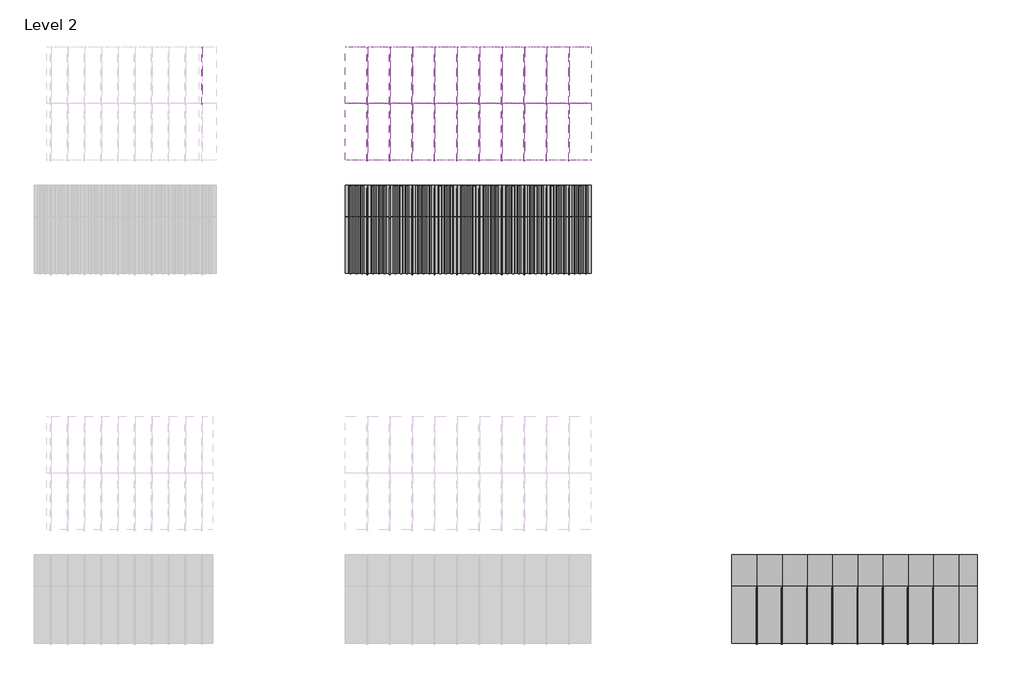
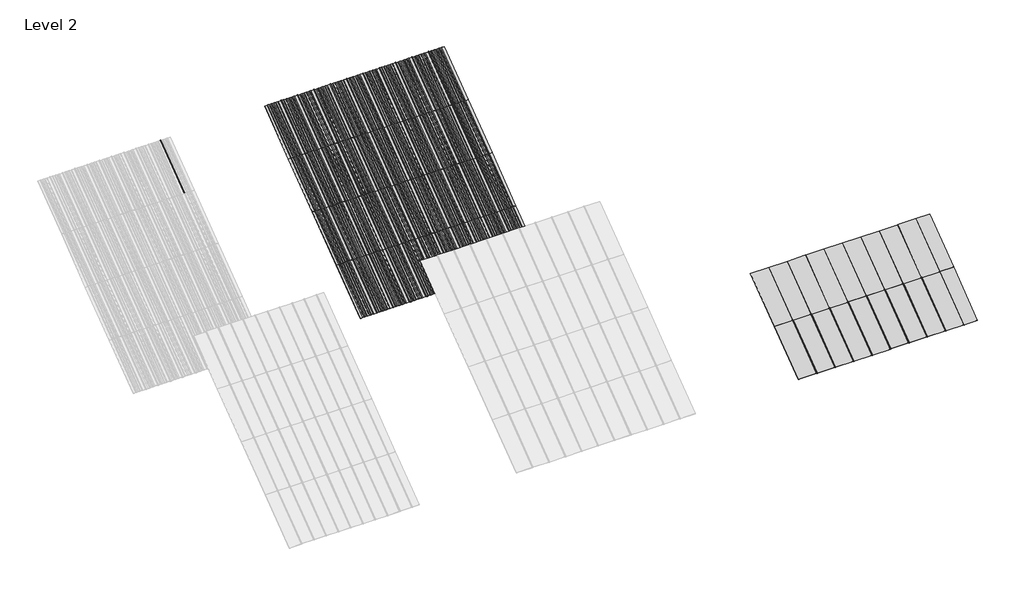
# One storey, part 40 of 177: 64 plates, 49 members.
"""IFC4 building model written with IfcOpenShell, lengths in millimetres."""

import ifcopenshell
import ifcopenshell.guid

model = None  # the IFC model being written
_history = None  # IfcOwnerHistory: only IFC2X3 demands one
_inside = {}  # id of a spatial element -> (the spatial element, [elements in it])
_under = {}  # id of a project, library or spatial element -> (it, [spatial elements below it])
_declared = {}  # id of a project -> (the project, [libraries it declares])
_typed = {}  # id of a type object -> (the type object, [elements of that type])
_made_of = {}  # id of a material, layer set ... -> (it, [elements and type objects made of it])


def new_model(schema):
    """Start an empty IFC model of exactly this schema.

    Asked for "IFC4X3", IfcOpenShell would pick the latest addendum, in which some entities
    have other attributes; the version numbers below select the first issue.
    IFC2X3 requires an IfcOwnerHistory on every rooted entity: one is made here for all.
    """
    global model, _history
    if schema == "IFC4X3":
        model = ifcopenshell.file(schema_version=(4, 3, 0, 0))
    else:
        model = ifcopenshell.file(schema=schema)
    _inside.clear()
    _under.clear()
    _declared.clear()
    _typed.clear()
    _made_of.clear()
    _history = None
    if model.schema == "IFC2X3":
        org = make("IfcOrganization", Name="unknown")
        user = make(
            "IfcPersonAndOrganization",
            ThePerson=make("IfcPerson", FamilyName="unknown"),
            TheOrganization=org,
        )
        app = make(
            "IfcApplication",
            ApplicationDeveloper=org,
            Version="unknown",
            ApplicationFullName="unknown",
            ApplicationIdentifier="unknown",
        )
        _history = make(
            "IfcOwnerHistory",
            OwningUser=user,
            OwningApplication=app,
            ChangeAction="ADDED",
            CreationDate=0,
        )
    return model


def make(cls, **values):
    """One entity of the class cls with the attributes given. An attribute that is None is left unset."""
    return model.create_entity(
        cls, **{name: value for name, value in values.items() if value is not None}
    )


def rooted(cls, **values):
    """An entity with a GlobalId (a new one), such as an element, a storey or a relation."""
    return make(cls, GlobalId=ifcopenshell.guid.new(), OwnerHistory=_history, **values)


def si_unit(unit_type, name, prefix=None):
    """IfcSIUnit, for example si_unit("LENGTHUNIT", "METRE", prefix="MILLI")."""
    return make("IfcSIUnit", UnitType=unit_type, Prefix=prefix, Name=name)


def assignment(units):
    """IfcUnitAssignment: the units of a project."""
    return None if units is None else make("IfcUnitAssignment", Units=units)


def point(xyz):
    """IfcCartesianPoint."""
    return None if xyz is None else make("IfcCartesianPoint", Coordinates=xyz)


def direction(xyz):
    """IfcDirection."""
    return None if xyz is None else make("IfcDirection", DirectionRatios=xyz)


def frame(location, z_axis=None, x_axis=None):
    """IfcAxis2Placement3D, a coordinate frame: its origin and axes. An axis left out is left unset."""
    return make(
        "IfcAxis2Placement3D",
        Location=point(location),
        Axis=direction(z_axis),
        RefDirection=direction(x_axis),
    )


def frame_2d(location, x_axis=None):
    """IfcAxis2Placement2D, a coordinate frame in the plane: its origin and x axis."""
    return make(
        "IfcAxis2Placement2D", Location=point(location), RefDirection=direction(x_axis)
    )


def origin():
    """The frame at (0, 0, 0) with its axes left unset."""
    return frame((0.0, 0.0, 0.0))


def origin_with_axes():
    """The frame at (0, 0, 0) with the z axis (0, 0, 1) and the x axis (1, 0, 0) written out."""
    return frame((0.0, 0.0, 0.0), z_axis=(0.0, 0.0, 1.0), x_axis=(1.0, 0.0, 0.0))


def place(relative_to, where):
    """IfcLocalPlacement: puts the frame where relative to a parent placement (None: the world)."""
    return make(
        "IfcLocalPlacement", PlacementRelTo=relative_to, RelativePlacement=where
    )


def context(
    kind, dimensions, precision=None, world=None, true_north=None, identifier=None
):
    """IfcGeometricRepresentationContext, for example the 3D "Model" context."""
    return make(
        "IfcGeometricRepresentationContext",
        ContextIdentifier=identifier,
        ContextType=kind,
        CoordinateSpaceDimension=dimensions,
        Precision=precision,
        WorldCoordinateSystem=world,
        TrueNorth=true_north,
    )


def project(units=None, contexts=None):
    """IfcProject with its units and contexts."""
    return rooted(
        "IfcProject",
        Name="project",
        RepresentationContexts=contexts,
        UnitsInContext=assignment(units),
    )


def spatial(cls, under=None, at=None, **own):
    """A site, building, storey or space (cls), placed at a placement, below another one or the project."""
    s = rooted(cls, ObjectPlacement=at, **own)
    if under is not None:
        _under.setdefault(under.id(), (under, []))[1].append(s)
    return s


def polyline(points):
    """IfcPolyline through the points."""
    return make("IfcPolyline", Points=[point(p) for p in points])


def circle_curve(where, radius):
    """IfcCircle in the frame where."""
    return make("IfcCircle", Position=where, Radius=radius)


def trimmed(basis, trim1, trim2, sense, master):
    """IfcTrimmedCurve: the piece of a basis curve between two trims."""
    return make(
        "IfcTrimmedCurve",
        BasisCurve=basis,
        Trim1=trim1,
        Trim2=trim2,
        SenseAgreement=sense,
        MasterRepresentation=master,
    )


def segment(curve, same_sense, transition):
    """IfcCompositeCurveSegment."""
    return make(
        "IfcCompositeCurveSegment",
        Transition=transition,
        SameSense=same_sense,
        ParentCurve=curve,
    )


def composite_curve(segments, self_intersect=None):
    """IfcCompositeCurve: segments joined end to end."""
    return make("IfcCompositeCurve", Segments=segments, SelfIntersect=self_intersect)


def outline(outer, holes=None, kind="AREA"):
    """IfcArbitraryClosedProfileDef: a profile drawn as a closed curve; with holes, ...WithVoids."""
    if holes is None:
        return make("IfcArbitraryClosedProfileDef", ProfileType=kind, OuterCurve=outer)
    return make(
        "IfcArbitraryProfileDefWithVoids",
        ProfileType=kind,
        OuterCurve=outer,
        InnerCurves=holes,
    )


def extrude(swept, where, along, depth):
    """IfcExtrudedAreaSolid: the profile swept, set in the frame where, extruded along a direction by depth."""
    return make(
        "IfcExtrudedAreaSolid",
        SweptArea=swept,
        Position=where,
        ExtrudedDirection=direction(along),
        Depth=depth,
    )


def shape(context_of_items, identifier, shape_type, items):
    """IfcShapeRepresentation: the items that make up one representation, for example the "Body"."""
    return make(
        "IfcShapeRepresentation",
        ContextOfItems=context_of_items,
        RepresentationIdentifier=identifier,
        RepresentationType=shape_type,
        Items=items,
    )


def source(mapping_origin, context_of_items, identifier, shape_type, items):
    """IfcRepresentationMap: a shape defined once, which mapped items show again and again."""
    return make(
        "IfcRepresentationMap",
        MappingOrigin=mapping_origin,
        MappedRepresentation=shape(context_of_items, identifier, shape_type, items),
    )


def transform(
    local_origin,
    x_axis=None,
    y_axis=None,
    z_axis=None,
    scale=None,
    scale2=None,
    scale3=None,
    uniform=True,
):
    """IfcCartesianTransformationOperator3D, or its non-uniform kind. x_axis, y_axis, z_axis: its Axis1, 2, 3."""
    if uniform:
        return make(
            "IfcCartesianTransformationOperator3D",
            Axis1=direction(x_axis),
            Axis2=direction(y_axis),
            LocalOrigin=point(local_origin),
            Scale=scale,
            Axis3=direction(z_axis),
        )
    return make(
        "IfcCartesianTransformationOperator3DnonUniform",
        Axis1=direction(x_axis),
        Axis2=direction(y_axis),
        LocalOrigin=point(local_origin),
        Scale=scale,
        Axis3=direction(z_axis),
        Scale2=scale2,
        Scale3=scale3,
    )


def mapped(mapping_source, mapping_target):
    """IfcMappedItem: shows the shape of a source again, moved by a transform."""
    return make(
        "IfcMappedItem", MappingSource=mapping_source, MappingTarget=mapping_target
    )


def made_of(thing, what):
    """Note that an element or type object is made of a material, layer set ...; save() writes the relation."""
    if what is not None:
        _made_of.setdefault(what.id(), (what, []))[1].append(thing)
    return thing


def element(
    cls,
    number,
    at=None,
    inside=None,
    cuts=None,
    type_object=None,
    material=None,
    context=None,
    identifier="Body",
    shape_type=None,
    held_by="IfcProductDefinitionShape",
    body=None,
    shapes=None,
    **own,
):
    """One element of the class cls, such as IfcWall. Its Tag is "e" and its number.

    at: its placement. inside: the storey or other place that contains it. cuts: it is an
    opening in that element (IfcRelVoidsElement). A single representation is given by context,
    identifier, shape_type and body (its items); several are given by shapes. held_by: the class
    of the entity that holds the representations. save() writes the other relations.
    """
    e = rooted(cls, Tag="e%d" % number, ObjectPlacement=at, **own)
    if body is not None:
        shapes = [shape(context, identifier, shape_type, body)]
    if shapes is not None:
        e.Representation = make(held_by, Representations=shapes)
    if inside is not None:
        _inside.setdefault(inside.id(), (inside, []))[1].append(e)
    if cuts is not None:
        rooted(
            "IfcRelVoidsElement", RelatingBuildingElement=cuts, RelatedOpeningElement=e
        )
    if type_object is not None:
        _typed.setdefault(type_object.id(), (type_object, []))[1].append(e)
    return made_of(e, material)


def aggregate(whole, parts):
    """IfcRelAggregates: a whole, such as a stair, and the parts it consists of."""
    return rooted("IfcRelAggregates", RelatingObject=whole, RelatedObjects=parts)


def save(model, path):
    """Write the relations noted so far, then the file.

    IfcRelAggregates (storeys below a building ...), IfcRelContainedInSpatialStructure (elements
    in a storey), IfcRelDefinesByType, IfcRelAssociatesMaterial and IfcRelDeclares: one each for
    every whole, place, type object, material and project.
    """
    for whole, parts in _under.values():
        aggregate(whole, parts)
    for where, things in _inside.values():
        rooted(
            "IfcRelContainedInSpatialStructure",
            RelatedElements=things,
            RelatingStructure=where,
        )
    for kind, things in _typed.values():
        rooted("IfcRelDefinesByType", RelatedObjects=things, RelatingType=kind)
    for what, things in _made_of.values():
        rooted("IfcRelAssociatesMaterial", RelatedObjects=things, RelatingMaterial=what)
    for by, libraries in _declared.values():
        rooted("IfcRelDeclares", RelatingContext=by, RelatedDefinitions=libraries)
    model.write(path)


def rectangular_mullion_59d29c64(model_context):
    return source(origin(), model_context, "Body", "SweptSolid", [
        extrude(outline(composite_curve([segment(polyline([(-1.651, -33.918525), (-1.651, 0.396875), (1.778, 0.396875), (1.778, -36.458525)]), True, "CONTINUOUS"), segment(trimmed(circle_curve(frame_2d((-0.762, -36.458525)), 2.54), [point((1.778, -36.458525))], [point((-0.762, -38.998525))], False, "CARTESIAN"), True, "CONTINUOUS"), segment(polyline([(-0.762, -38.998525), (-10.16, -38.998525)]), True, "CONTINUOUS"), segment(trimmed(circle_curve(frame_2d((-10.16, -36.458525)), 2.54), [point((-10.16, -38.998525))], [point((-10.16, -33.918525))], False, "CARTESIAN"), True, "CONTINUOUS"), segment(polyline([(-10.16, -33.918525), (-1.651, -33.918525)]), True, "CONTINUOUS")], self_intersect=False)), frame((0.0, 0.0, -1285.875), z_axis=(0.0, 0.0, 1.0), x_axis=(1.0, 0.0, 0.0)), (0.0, 0.0, 1.0), 1285.875),
    ])


def plate_0_032_aluminium_cbe3b930(model_context):
    return source(origin(), model_context, "Body", "SweptSolid", [
        extrude(outline(polyline([(-142.9284294, 0.8128), (-120.4316494, -2.73558), (-90.8914494, -2.73558), (-68.3946694, 0.8128), (-38.8544694, 0.8128), (-14.7701, -2.73558), (14.7701, -2.73558), (37.26688, 0.8128), (66.80708, 0.8128), (89.30386, -2.73558), (118.84406, -2.73558), (141.34084, 0.8128), (203.2, 0.8128), (203.2, 0.0), (141.404547, 0.0), (118.907767, -3.54838), (89.240153, -3.54838), (66.743373, 0.0), (37.330587, 0.0), (14.833807, -3.54838), (-14.833807, -3.54838), (-38.9181764, 0.0), (-68.3309624, 0.0), (-90.8277424, -3.54838), (-120.4953564, -3.54838), (-142.9921364, 0.0), (-203.2, 0.0), (-203.2, 0.8128), (-142.9284294, 0.8128)])), origin_with_axes(), (0.0, 0.0, 1.0), 1285.875),
    ])


def system_panel_8a7700cc(model_context):
    return source(origin(), model_context, "Body", "SweptSolid", [
        extrude(outline(polyline([(226.9490002, -0.2480469), (-226.9490002, -0.2480469), (-226.9490002, 0.2480469), (226.9490002, 0.2480469), (226.9490002, -0.2480469)])), origin_with_axes(), (0.0, 0.0, 1.0), 1285.875),
    ])


def system_panel_4355e656(model_context):
    return source(origin(), model_context, "Body", "SweptSolid", [
        extrude(outline(polyline([(226.8855, -0.2480469), (-226.8855, -0.2480469), (-226.8855, 0.2480469), (226.8855, 0.2480469), (226.8855, -0.2480469)])), origin_with_axes(), (0.0, 0.0, 1.0), 1285.875),
    ])


def system_panel_11a4934e(model_context):
    return source(origin(), model_context, "Body", "SweptSolid", [
        extrude(outline(polyline([(170.1165, -0.2480469), (-170.1165, -0.2480469), (-170.1165, 0.2480469), (170.1165, 0.2480469), (170.1165, -0.2480469)])), origin_with_axes(), (0.0, 0.0, 1.0), 1285.875),
    ])


model = new_model("IFC4")

# Units and contexts
model_context = context("Model", 3, world=origin())
ifc_project = project(units=[si_unit("LENGTHUNIT", "METRE", prefix="MILLI")], contexts=[model_context])

# Site, building, storey
site = spatial("IfcSite", under=ifc_project)
building = spatial("IfcBuilding", under=site)
storey = spatial("IfcBuildingStorey", under=building, Name="Level 2", Elevation=3048.0)

# Members
placement = place(None, origin())
rectangular_mullion_shape = rectangular_mullion_59d29c64(model_context)
element("IfcMember", 1, ObjectType="Rectangular Mullion", at=placement, inside=storey, context=model_context, shape_type="MappedRepresentation", body=[
    mapped(rectangular_mullion_shape, transform((138606.8738425, 45668.6083739, 6134.1), x_axis=(1.0, 0.0, 0.0), y_axis=(0.0, 0.5999999999999946, -0.800000000000004), z_axis=(0.0, 0.800000000000004, 0.5999999999999946))),
])
element("IfcMember", 2, ObjectType="Rectangular Mullion", at=placement, inside=storey, context=model_context, shape_type="MappedRepresentation", body=[
    mapped(rectangular_mullion_shape, transform((139013.2738425, 45668.6083739, 6134.1), x_axis=(1.0, 0.0, 0.0), y_axis=(0.0, 0.5999999999999946, -0.800000000000004), z_axis=(0.0, 0.800000000000004, 0.5999999999999946))),
])
element("IfcMember", 3, ObjectType="Rectangular Mullion", at=placement, inside=storey, context=model_context, shape_type="MappedRepresentation", body=[
    mapped(rectangular_mullion_shape, transform((139419.6738425, 45668.6083739, 6134.1), x_axis=(1.0, 0.0, 0.0), y_axis=(0.0, 0.5999999999999946, -0.800000000000004), z_axis=(0.0, 0.800000000000004, 0.5999999999999946))),
])
element("IfcMember", 4, ObjectType="Rectangular Mullion", at=placement, inside=storey, context=model_context, shape_type="MappedRepresentation", body=[
    mapped(rectangular_mullion_shape, transform((139826.0738425, 45668.6083739, 6134.1), x_axis=(1.0, 0.0, 0.0), y_axis=(0.0, 0.5999999999999946, -0.800000000000004), z_axis=(0.0, 0.800000000000004, 0.5999999999999946))),
])
element("IfcMember", 5, ObjectType="Rectangular Mullion", at=placement, inside=storey, context=model_context, shape_type="MappedRepresentation", body=[
    mapped(rectangular_mullion_shape, transform((140232.4738425, 45668.6083739, 6134.1), x_axis=(1.0, 0.0, 0.0), y_axis=(0.0, 0.5999999999999946, -0.800000000000004), z_axis=(0.0, 0.800000000000004, 0.5999999999999946))),
])
element("IfcMember", 6, ObjectType="Rectangular Mullion", at=placement, inside=storey, context=model_context, shape_type="MappedRepresentation", body=[
    mapped(rectangular_mullion_shape, transform((140638.8738425, 45668.6083739, 6134.1), x_axis=(1.0, 0.0, 0.0), y_axis=(0.0, 0.5999999999999946, -0.800000000000004), z_axis=(0.0, 0.800000000000004, 0.5999999999999946))),
])
element("IfcMember", 7, ObjectType="Rectangular Mullion", at=placement, inside=storey, context=model_context, shape_type="MappedRepresentation", body=[
    mapped(rectangular_mullion_shape, transform((141045.2738425, 45668.6083739, 6134.1), x_axis=(1.0, 0.0, 0.0), y_axis=(0.0, 0.5999999999999946, -0.800000000000004), z_axis=(0.0, 0.800000000000004, 0.5999999999999946))),
])
element("IfcMember", 8, ObjectType="Rectangular Mullion", at=placement, inside=storey, context=model_context, shape_type="MappedRepresentation", body=[
    mapped(rectangular_mullion_shape, transform((141451.6738425, 45668.6083739, 6134.1), x_axis=(1.0, 0.0, 0.0), y_axis=(0.0, 0.5999999999999946, -0.800000000000004), z_axis=(0.0, 0.800000000000004, 0.5999999999999946))),
])
element("IfcMember", 9, ObjectType="Rectangular Mullion", at=placement, inside=storey, context=model_context, shape_type="MappedRepresentation", body=[
    mapped(rectangular_mullion_shape, transform((141858.0738425, 45668.6083739, 6134.1), x_axis=(1.0, 0.0, 0.0), y_axis=(0.0, 0.5999999999999946, -0.800000000000004), z_axis=(0.0, 0.800000000000004, 0.5999999999999946))),
])
element("IfcMember", 10, ObjectType="Rectangular Mullion", at=placement, inside=storey, context=model_context, shape_type="MappedRepresentation", body=[
    mapped(rectangular_mullion_shape, transform((135609.6738425, 45668.6083739, 6134.1), x_axis=(1.0, 0.0, 0.0), y_axis=(0.0, 0.5999999999999946, -0.800000000000004), z_axis=(0.0, 0.800000000000004, 0.5999999999999946))),
])
element("IfcMember", 11, ObjectType="Rectangular Mullion", at=placement, inside=storey, context=model_context, shape_type="MappedRepresentation", body=[
    mapped(rectangular_mullion_shape, transform((142264.4738425, 45668.6083739, 6134.1), x_axis=(1.0, 0.0, 0.0), y_axis=(0.0, 0.5999999999999946, -0.800000000000004), z_axis=(0.0, 0.800000000000004, 0.5999999999999946))),
])
element("IfcMember", 12, ObjectType="Rectangular Mullion", at=placement, inside=storey, context=model_context, shape_type="MappedRepresentation", body=[
    mapped(rectangular_mullion_shape, transform((145668.0738425, 35876.9083739, 3819.525), x_axis=(1.0, 0.0, 0.0), y_axis=(0.0, 0.6000000000000008, -0.7999999999999994), z_axis=(0.0, 0.7999999999999994, 0.6000000000000008))),
])
element("IfcMember", 13, ObjectType="Rectangular Mullion", at=placement, inside=storey, context=model_context, shape_type="MappedRepresentation", body=[
    mapped(rectangular_mullion_shape, transform((146125.2738425, 35876.9083739, 3819.525), x_axis=(1.0, 0.0, 0.0), y_axis=(0.0, 0.6000000000000008, -0.7999999999999994), z_axis=(0.0, 0.7999999999999994, 0.6000000000000008))),
])
element("IfcMember", 14, ObjectType="Rectangular Mullion", at=placement, inside=storey, context=model_context, shape_type="MappedRepresentation", body=[
    mapped(rectangular_mullion_shape, transform((146582.4738425, 35876.9083739, 3819.525), x_axis=(1.0, 0.0, 0.0), y_axis=(0.0, 0.6000000000000008, -0.7999999999999994), z_axis=(0.0, 0.7999999999999994, 0.6000000000000008))),
])
element("IfcMember", 15, ObjectType="Rectangular Mullion", at=placement, inside=storey, context=model_context, shape_type="MappedRepresentation", body=[
    mapped(rectangular_mullion_shape, transform((147039.6738425, 35876.9083739, 3819.525), x_axis=(1.0, 0.0, 0.0), y_axis=(0.0, 0.6000000000000008, -0.7999999999999994), z_axis=(0.0, 0.7999999999999994, 0.6000000000000008))),
])
element("IfcMember", 16, ObjectType="Rectangular Mullion", at=placement, inside=storey, context=model_context, shape_type="MappedRepresentation", body=[
    mapped(rectangular_mullion_shape, transform((147496.8738425, 35876.9083739, 3819.525), x_axis=(1.0, 0.0, 0.0), y_axis=(0.0, 0.6000000000000008, -0.7999999999999994), z_axis=(0.0, 0.7999999999999994, 0.6000000000000008))),
])
element("IfcMember", 17, ObjectType="Rectangular Mullion", at=placement, inside=storey, context=model_context, shape_type="MappedRepresentation", body=[
    mapped(rectangular_mullion_shape, transform((147954.0738425, 35876.9083739, 3819.525), x_axis=(1.0, 0.0, 0.0), y_axis=(0.0, 0.6000000000000008, -0.7999999999999994), z_axis=(0.0, 0.7999999999999994, 0.6000000000000008))),
])
element("IfcMember", 18, ObjectType="Rectangular Mullion", at=placement, inside=storey, context=model_context, shape_type="MappedRepresentation", body=[
    mapped(rectangular_mullion_shape, transform((148411.2738425, 35876.9083739, 3819.525), x_axis=(1.0, 0.0, 0.0), y_axis=(0.0, 0.6000000000000008, -0.7999999999999994), z_axis=(0.0, 0.7999999999999994, 0.6000000000000008))),
])
element("IfcMember", 19, ObjectType="Rectangular Mullion", at=placement, inside=storey, context=model_context, shape_type="MappedRepresentation", body=[
    mapped(rectangular_mullion_shape, transform((148868.4738425, 35876.9083739, 3819.525), x_axis=(1.0, 0.0, 0.0), y_axis=(0.0, 0.6000000000000008, -0.7999999999999994), z_axis=(0.0, 0.7999999999999994, 0.6000000000000008))),
])
element("IfcMember", 20, ObjectType="Rectangular Mullion", at=placement, inside=storey, context=model_context, shape_type="MappedRepresentation", body=[
    mapped(rectangular_mullion_shape, transform((138606.8738425, 42582.5083739, 3819.525), x_axis=(1.0, 0.0, 0.0), y_axis=(0.0, 0.5999999999999939, -0.8000000000000047), z_axis=(0.0, 0.8000000000000047, 0.5999999999999939))),
])
element("IfcMember", 21, ObjectType="Rectangular Mullion", at=placement, inside=storey, context=model_context, shape_type="MappedRepresentation", body=[
    mapped(rectangular_mullion_shape, transform((139013.2738425, 42582.5083739, 3819.525), x_axis=(1.0, 0.0, 0.0), y_axis=(0.0, 0.5999999999999939, -0.8000000000000047), z_axis=(0.0, 0.8000000000000047, 0.5999999999999939))),
])
element("IfcMember", 22, ObjectType="Rectangular Mullion", at=placement, inside=storey, context=model_context, shape_type="MappedRepresentation", body=[
    mapped(rectangular_mullion_shape, transform((139419.6738425, 42582.5083739, 3819.525), x_axis=(1.0, 0.0, 0.0), y_axis=(0.0, 0.5999999999999939, -0.8000000000000047), z_axis=(0.0, 0.8000000000000047, 0.5999999999999939))),
])
element("IfcMember", 23, ObjectType="Rectangular Mullion", at=placement, inside=storey, context=model_context, shape_type="MappedRepresentation", body=[
    mapped(rectangular_mullion_shape, transform((139826.0738425, 42582.5083739, 3819.525), x_axis=(1.0, 0.0, 0.0), y_axis=(0.0, 0.5999999999999939, -0.8000000000000047), z_axis=(0.0, 0.8000000000000047, 0.5999999999999939))),
])
element("IfcMember", 24, ObjectType="Rectangular Mullion", at=placement, inside=storey, context=model_context, shape_type="MappedRepresentation", body=[
    mapped(rectangular_mullion_shape, transform((140232.4738425, 42582.5083739, 3819.525), x_axis=(1.0, 0.0, 0.0), y_axis=(0.0, 0.5999999999999939, -0.8000000000000047), z_axis=(0.0, 0.8000000000000047, 0.5999999999999939))),
])
element("IfcMember", 25, ObjectType="Rectangular Mullion", at=placement, inside=storey, context=model_context, shape_type="MappedRepresentation", body=[
    mapped(rectangular_mullion_shape, transform((140638.8738425, 42582.5083739, 3819.525), x_axis=(1.0, 0.0, 0.0), y_axis=(0.0, 0.5999999999999939, -0.8000000000000047), z_axis=(0.0, 0.8000000000000047, 0.5999999999999939))),
])
element("IfcMember", 26, ObjectType="Rectangular Mullion", at=placement, inside=storey, context=model_context, shape_type="MappedRepresentation", body=[
    mapped(rectangular_mullion_shape, transform((141045.2738425, 42582.5083739, 3819.525), x_axis=(1.0, 0.0, 0.0), y_axis=(0.0, 0.5999999999999939, -0.8000000000000047), z_axis=(0.0, 0.8000000000000047, 0.5999999999999939))),
])
element("IfcMember", 27, ObjectType="Rectangular Mullion", at=placement, inside=storey, context=model_context, shape_type="MappedRepresentation", body=[
    mapped(rectangular_mullion_shape, transform((141451.6738425, 42582.5083739, 3819.525), x_axis=(1.0, 0.0, 0.0), y_axis=(0.0, 0.5999999999999939, -0.8000000000000047), z_axis=(0.0, 0.8000000000000047, 0.5999999999999939))),
])
element("IfcMember", 28, ObjectType="Rectangular Mullion", at=placement, inside=storey, context=model_context, shape_type="MappedRepresentation", body=[
    mapped(rectangular_mullion_shape, transform((141858.0738425, 42582.5083739, 3819.525), x_axis=(1.0, 0.0, 0.0), y_axis=(0.0, 0.5999999999999939, -0.8000000000000047), z_axis=(0.0, 0.8000000000000047, 0.5999999999999939))),
])
element("IfcMember", 29, ObjectType="Rectangular Mullion", at=placement, inside=storey, context=model_context, shape_type="MappedRepresentation", body=[
    mapped(rectangular_mullion_shape, transform((142264.4738425, 42582.5083739, 3819.525), x_axis=(1.0, 0.0, 0.0), y_axis=(0.0, 0.5999999999999939, -0.8000000000000047), z_axis=(0.0, 0.8000000000000047, 0.5999999999999939))),
])
element("IfcMember", 30, ObjectType="Rectangular Mullion", at=placement, inside=storey, context=model_context, shape_type="MappedRepresentation", body=[
    mapped(rectangular_mullion_shape, transform((138606.8738425, 43611.2083739, 4591.05), x_axis=(1.0, 0.0, 0.0), y_axis=(0.0, 0.5999999999999949, -0.8000000000000038), z_axis=(0.0, 0.8000000000000038, 0.5999999999999949))),
])
element("IfcMember", 31, ObjectType="Rectangular Mullion", at=placement, inside=storey, context=model_context, shape_type="MappedRepresentation", body=[
    mapped(rectangular_mullion_shape, transform((139013.2738425, 43611.2083739, 4591.05), x_axis=(1.0, 0.0, 0.0), y_axis=(0.0, 0.5999999999999949, -0.8000000000000038), z_axis=(0.0, 0.8000000000000038, 0.5999999999999949))),
])
element("IfcMember", 32, ObjectType="Rectangular Mullion", at=placement, inside=storey, context=model_context, shape_type="MappedRepresentation", body=[
    mapped(rectangular_mullion_shape, transform((138606.8738425, 44639.9083739, 5362.575), x_axis=(1.0, 0.0, 0.0), y_axis=(0.0, 0.5999999999999939, -0.8000000000000047), z_axis=(0.0, 0.8000000000000047, 0.5999999999999939))),
])
element("IfcMember", 33, ObjectType="Rectangular Mullion", at=placement, inside=storey, context=model_context, shape_type="MappedRepresentation", body=[
    mapped(rectangular_mullion_shape, transform((139013.2738425, 44639.9083739, 5362.575), x_axis=(1.0, 0.0, 0.0), y_axis=(0.0, 0.5999999999999939, -0.8000000000000047), z_axis=(0.0, 0.8000000000000047, 0.5999999999999939))),
])
element("IfcMember", 34, ObjectType="Rectangular Mullion", at=placement, inside=storey, context=model_context, shape_type="MappedRepresentation", body=[
    mapped(rectangular_mullion_shape, transform((139419.6738425, 43611.2083739, 4591.05), x_axis=(1.0, 0.0, 0.0), y_axis=(0.0, 0.5999999999999949, -0.8000000000000038), z_axis=(0.0, 0.8000000000000038, 0.5999999999999949))),
])
element("IfcMember", 35, ObjectType="Rectangular Mullion", at=placement, inside=storey, context=model_context, shape_type="MappedRepresentation", body=[
    mapped(rectangular_mullion_shape, transform((139826.0738425, 43611.2083739, 4591.05), x_axis=(1.0, 0.0, 0.0), y_axis=(0.0, 0.5999999999999949, -0.8000000000000038), z_axis=(0.0, 0.8000000000000038, 0.5999999999999949))),
])
element("IfcMember", 36, ObjectType="Rectangular Mullion", at=placement, inside=storey, context=model_context, shape_type="MappedRepresentation", body=[
    mapped(rectangular_mullion_shape, transform((140232.4738425, 43611.2083739, 4591.05), x_axis=(1.0, 0.0, 0.0), y_axis=(0.0, 0.5999999999999949, -0.8000000000000038), z_axis=(0.0, 0.8000000000000038, 0.5999999999999949))),
])
element("IfcMember", 37, ObjectType="Rectangular Mullion", at=placement, inside=storey, context=model_context, shape_type="MappedRepresentation", body=[
    mapped(rectangular_mullion_shape, transform((140638.8738425, 43611.2083739, 4591.05), x_axis=(1.0, 0.0, 0.0), y_axis=(0.0, 0.5999999999999949, -0.8000000000000038), z_axis=(0.0, 0.8000000000000038, 0.5999999999999949))),
])
element("IfcMember", 38, ObjectType="Rectangular Mullion", at=placement, inside=storey, context=model_context, shape_type="MappedRepresentation", body=[
    mapped(rectangular_mullion_shape, transform((141045.2738425, 43611.2083739, 4591.05), x_axis=(1.0, 0.0, 0.0), y_axis=(0.0, 0.5999999999999949, -0.8000000000000038), z_axis=(0.0, 0.8000000000000038, 0.5999999999999949))),
])
element("IfcMember", 39, ObjectType="Rectangular Mullion", at=placement, inside=storey, context=model_context, shape_type="MappedRepresentation", body=[
    mapped(rectangular_mullion_shape, transform((141451.6738425, 43611.2083739, 4591.05), x_axis=(1.0, 0.0, 0.0), y_axis=(0.0, 0.5999999999999949, -0.8000000000000038), z_axis=(0.0, 0.8000000000000038, 0.5999999999999949))),
])
element("IfcMember", 40, ObjectType="Rectangular Mullion", at=placement, inside=storey, context=model_context, shape_type="MappedRepresentation", body=[
    mapped(rectangular_mullion_shape, transform((141858.0738425, 43611.2083739, 4591.05), x_axis=(1.0, 0.0, 0.0), y_axis=(0.0, 0.5999999999999949, -0.8000000000000038), z_axis=(0.0, 0.8000000000000038, 0.5999999999999949))),
])
element("IfcMember", 41, ObjectType="Rectangular Mullion", at=placement, inside=storey, context=model_context, shape_type="MappedRepresentation", body=[
    mapped(rectangular_mullion_shape, transform((139419.6738425, 44639.9083739, 5362.575), x_axis=(1.0, 0.0, 0.0), y_axis=(0.0, 0.5999999999999939, -0.8000000000000047), z_axis=(0.0, 0.8000000000000047, 0.5999999999999939))),
])
element("IfcMember", 42, ObjectType="Rectangular Mullion", at=placement, inside=storey, context=model_context, shape_type="MappedRepresentation", body=[
    mapped(rectangular_mullion_shape, transform((139826.0738425, 44639.9083739, 5362.575), x_axis=(1.0, 0.0, 0.0), y_axis=(0.0, 0.5999999999999939, -0.8000000000000047), z_axis=(0.0, 0.8000000000000047, 0.5999999999999939))),
])
element("IfcMember", 43, ObjectType="Rectangular Mullion", at=placement, inside=storey, context=model_context, shape_type="MappedRepresentation", body=[
    mapped(rectangular_mullion_shape, transform((140232.4738425, 44639.9083739, 5362.575), x_axis=(1.0, 0.0, 0.0), y_axis=(0.0, 0.5999999999999939, -0.8000000000000047), z_axis=(0.0, 0.8000000000000047, 0.5999999999999939))),
])
element("IfcMember", 44, ObjectType="Rectangular Mullion", at=placement, inside=storey, context=model_context, shape_type="MappedRepresentation", body=[
    mapped(rectangular_mullion_shape, transform((140638.8738425, 44639.9083739, 5362.575), x_axis=(1.0, 0.0, 0.0), y_axis=(0.0, 0.5999999999999939, -0.8000000000000047), z_axis=(0.0, 0.8000000000000047, 0.5999999999999939))),
])
element("IfcMember", 45, ObjectType="Rectangular Mullion", at=placement, inside=storey, context=model_context, shape_type="MappedRepresentation", body=[
    mapped(rectangular_mullion_shape, transform((141045.2738425, 44639.9083739, 5362.575), x_axis=(1.0, 0.0, 0.0), y_axis=(0.0, 0.5999999999999939, -0.8000000000000047), z_axis=(0.0, 0.8000000000000047, 0.5999999999999939))),
])
element("IfcMember", 46, ObjectType="Rectangular Mullion", at=placement, inside=storey, context=model_context, shape_type="MappedRepresentation", body=[
    mapped(rectangular_mullion_shape, transform((141451.6738425, 44639.9083739, 5362.575), x_axis=(1.0, 0.0, 0.0), y_axis=(0.0, 0.5999999999999939, -0.8000000000000047), z_axis=(0.0, 0.8000000000000047, 0.5999999999999939))),
])
element("IfcMember", 47, ObjectType="Rectangular Mullion", at=placement, inside=storey, context=model_context, shape_type="MappedRepresentation", body=[
    mapped(rectangular_mullion_shape, transform((141858.0738425, 44639.9083739, 5362.575), x_axis=(1.0, 0.0, 0.0), y_axis=(0.0, 0.5999999999999939, -0.8000000000000047), z_axis=(0.0, 0.8000000000000047, 0.5999999999999939))),
])
element("IfcMember", 48, ObjectType="Rectangular Mullion", at=placement, inside=storey, context=model_context, shape_type="MappedRepresentation", body=[
    mapped(rectangular_mullion_shape, transform((142264.4738425, 43611.2083739, 4591.05), x_axis=(1.0, 0.0, 0.0), y_axis=(0.0, 0.5999999999999949, -0.8000000000000038), z_axis=(0.0, 0.8000000000000038, 0.5999999999999949))),
])
element("IfcMember", 49, ObjectType="Rectangular Mullion", at=placement, inside=storey, context=model_context, shape_type="MappedRepresentation", body=[
    mapped(rectangular_mullion_shape, transform((142264.4738425, 44639.9083739, 5362.575), x_axis=(1.0, 0.0, 0.0), y_axis=(0.0, 0.5999999999999939, -0.8000000000000047), z_axis=(0.0, 0.8000000000000047, 0.5999999999999939))),
])

# Plates
plate_0_032_aluminium_shape = plate_0_032_aluminium_cbe3b930(model_context)
element("IfcPlate", 50, ObjectType="24 Ga. Steel", at=placement, inside=storey, context=model_context, shape_type="MappedRepresentation", body=[
    mapped(plate_0_032_aluminium_shape, transform((138403.6738423, 41553.8083739, 3048.0), x_axis=(1.0, 0.0, 0.0), y_axis=(0.0, 0.5999999999999943, -0.8000000000000043), z_axis=(0.0, 0.8000000000000043, 0.5999999999999943))),
])
element("IfcPlate", 51, ObjectType="24 Ga. Steel", at=placement, inside=storey, context=model_context, shape_type="MappedRepresentation", body=[
    mapped(plate_0_032_aluminium_shape, transform((138403.6738423, 42582.5083739, 3819.525), x_axis=(1.0, 0.0, 0.0), y_axis=(0.0, 0.5999999999999943, -0.8000000000000043), z_axis=(0.0, 0.8000000000000043, 0.5999999999999943))),
])
element("IfcPlate", 52, ObjectType="24 Ga. Steel", at=placement, inside=storey, context=model_context, shape_type="MappedRepresentation", body=[
    mapped(plate_0_032_aluminium_shape, transform((138403.6738423, 43611.2083739, 4591.05), x_axis=(1.0, 0.0, 0.0), y_axis=(0.0, 0.5999999999999943, -0.8000000000000043), z_axis=(0.0, 0.8000000000000043, 0.5999999999999943))),
])
element("IfcPlate", 53, ObjectType="24 Ga. Steel", at=placement, inside=storey, context=model_context, shape_type="MappedRepresentation", body=[
    mapped(plate_0_032_aluminium_shape, transform((138403.6738423, 44639.9083739, 5362.575), x_axis=(1.0, 0.0, 0.0), y_axis=(0.0, 0.5999999999999943, -0.8000000000000043), z_axis=(0.0, 0.8000000000000043, 0.5999999999999943))),
])
element("IfcPlate", 54, ObjectType="24 Ga. Steel", at=placement, inside=storey, context=model_context, shape_type="MappedRepresentation", body=[
    mapped(plate_0_032_aluminium_shape, transform((138810.1373425, 41553.8083739, 3048.0), x_axis=(1.0, 0.0, 0.0), y_axis=(0.0, 0.5999999999999943, -0.8000000000000043), z_axis=(0.0, 0.8000000000000043, 0.5999999999999943))),
])
element("IfcPlate", 55, ObjectType="24 Ga. Steel", at=placement, inside=storey, context=model_context, shape_type="MappedRepresentation", body=[
    mapped(plate_0_032_aluminium_shape, transform((139216.5373425, 41553.8083739, 3048.0), x_axis=(1.0, 0.0, 0.0), y_axis=(0.0, 0.5999999999999943, -0.8000000000000043), z_axis=(0.0, 0.8000000000000043, 0.5999999999999943))),
])
element("IfcPlate", 56, ObjectType="24 Ga. Steel", at=placement, inside=storey, context=model_context, shape_type="MappedRepresentation", body=[
    mapped(plate_0_032_aluminium_shape, transform((138810.1373425, 42582.5083739, 3819.525), x_axis=(1.0, 0.0, 0.0), y_axis=(0.0, 0.5999999999999943, -0.8000000000000043), z_axis=(0.0, 0.8000000000000043, 0.5999999999999943))),
])
element("IfcPlate", 57, ObjectType="24 Ga. Steel", at=placement, inside=storey, context=model_context, shape_type="MappedRepresentation", body=[
    mapped(plate_0_032_aluminium_shape, transform((139216.5373425, 42582.5083739, 3819.525), x_axis=(1.0, 0.0, 0.0), y_axis=(0.0, 0.5999999999999943, -0.8000000000000043), z_axis=(0.0, 0.8000000000000043, 0.5999999999999943))),
])
element("IfcPlate", 58, ObjectType="24 Ga. Steel", at=placement, inside=storey, context=model_context, shape_type="MappedRepresentation", body=[
    mapped(plate_0_032_aluminium_shape, transform((138810.1373425, 43611.2083739, 4591.05), x_axis=(1.0, 0.0, 0.0), y_axis=(0.0, 0.5999999999999943, -0.8000000000000043), z_axis=(0.0, 0.8000000000000043, 0.5999999999999943))),
])
element("IfcPlate", 59, ObjectType="24 Ga. Steel", at=placement, inside=storey, context=model_context, shape_type="MappedRepresentation", body=[
    mapped(plate_0_032_aluminium_shape, transform((139216.5373425, 43611.2083739, 4591.05), x_axis=(1.0, 0.0, 0.0), y_axis=(0.0, 0.5999999999999943, -0.8000000000000043), z_axis=(0.0, 0.8000000000000043, 0.5999999999999943))),
])
element("IfcPlate", 60, ObjectType="24 Ga. Steel", at=placement, inside=storey, context=model_context, shape_type="MappedRepresentation", body=[
    mapped(plate_0_032_aluminium_shape, transform((138810.1373425, 44639.9083739, 5362.575), x_axis=(1.0, 0.0, 0.0), y_axis=(0.0, 0.5999999999999943, -0.8000000000000043), z_axis=(0.0, 0.8000000000000043, 0.5999999999999943))),
])
element("IfcPlate", 61, ObjectType="24 Ga. Steel", at=placement, inside=storey, context=model_context, shape_type="MappedRepresentation", body=[
    mapped(plate_0_032_aluminium_shape, transform((139216.5373425, 44639.9083739, 5362.575), x_axis=(1.0, 0.0, 0.0), y_axis=(0.0, 0.5999999999999943, -0.8000000000000043), z_axis=(0.0, 0.8000000000000043, 0.5999999999999943))),
])
element("IfcPlate", 62, ObjectType="24 Ga. Steel", at=placement, inside=storey, context=model_context, shape_type="MappedRepresentation", body=[
    mapped(plate_0_032_aluminium_shape, transform((139622.9373425, 41553.8083739, 3048.0), x_axis=(1.0, 0.0, 0.0), y_axis=(0.0, 0.5999999999999943, -0.8000000000000043), z_axis=(0.0, 0.8000000000000043, 0.5999999999999943))),
])
element("IfcPlate", 63, ObjectType="24 Ga. Steel", at=placement, inside=storey, context=model_context, shape_type="MappedRepresentation", body=[
    mapped(plate_0_032_aluminium_shape, transform((139622.9373425, 42582.5083739, 3819.525), x_axis=(1.0, 0.0, 0.0), y_axis=(0.0, 0.5999999999999943, -0.8000000000000043), z_axis=(0.0, 0.8000000000000043, 0.5999999999999943))),
])
element("IfcPlate", 64, ObjectType="24 Ga. Steel", at=placement, inside=storey, context=model_context, shape_type="MappedRepresentation", body=[
    mapped(plate_0_032_aluminium_shape, transform((139622.9373425, 43611.2083739, 4591.05), x_axis=(1.0, 0.0, 0.0), y_axis=(0.0, 0.5999999999999943, -0.8000000000000043), z_axis=(0.0, 0.8000000000000043, 0.5999999999999943))),
])
element("IfcPlate", 65, ObjectType="24 Ga. Steel", at=placement, inside=storey, context=model_context, shape_type="MappedRepresentation", body=[
    mapped(plate_0_032_aluminium_shape, transform((139622.9373425, 44639.9083739, 5362.575), x_axis=(1.0, 0.0, 0.0), y_axis=(0.0, 0.5999999999999943, -0.8000000000000043), z_axis=(0.0, 0.8000000000000043, 0.5999999999999943))),
])
element("IfcPlate", 66, ObjectType="24 Ga. Steel", at=placement, inside=storey, context=model_context, shape_type="MappedRepresentation", body=[
    mapped(plate_0_032_aluminium_shape, transform((140029.3373425, 41553.8083739, 3048.0), x_axis=(1.0, 0.0, 0.0), y_axis=(0.0, 0.5999999999999943, -0.8000000000000043), z_axis=(0.0, 0.8000000000000043, 0.5999999999999943))),
])
element("IfcPlate", 67, ObjectType="24 Ga. Steel", at=placement, inside=storey, context=model_context, shape_type="MappedRepresentation", body=[
    mapped(plate_0_032_aluminium_shape, transform((140029.3373425, 42582.5083739, 3819.525), x_axis=(1.0, 0.0, 0.0), y_axis=(0.0, 0.5999999999999943, -0.8000000000000043), z_axis=(0.0, 0.8000000000000043, 0.5999999999999943))),
])
element("IfcPlate", 68, ObjectType="24 Ga. Steel", at=placement, inside=storey, context=model_context, shape_type="MappedRepresentation", body=[
    mapped(plate_0_032_aluminium_shape, transform((140029.3373425, 43611.2083739, 4591.05), x_axis=(1.0, 0.0, 0.0), y_axis=(0.0, 0.5999999999999943, -0.8000000000000043), z_axis=(0.0, 0.8000000000000043, 0.5999999999999943))),
])
element("IfcPlate", 69, ObjectType="24 Ga. Steel", at=placement, inside=storey, context=model_context, shape_type="MappedRepresentation", body=[
    mapped(plate_0_032_aluminium_shape, transform((140029.3373425, 44639.9083739, 5362.575), x_axis=(1.0, 0.0, 0.0), y_axis=(0.0, 0.5999999999999943, -0.8000000000000043), z_axis=(0.0, 0.8000000000000043, 0.5999999999999943))),
])
element("IfcPlate", 70, ObjectType="24 Ga. Steel", at=placement, inside=storey, context=model_context, shape_type="MappedRepresentation", body=[
    mapped(plate_0_032_aluminium_shape, transform((140435.7373425, 41553.8083739, 3048.0), x_axis=(1.0, 0.0, 0.0), y_axis=(0.0, 0.5999999999999943, -0.8000000000000043), z_axis=(0.0, 0.8000000000000043, 0.5999999999999943))),
])
element("IfcPlate", 71, ObjectType="24 Ga. Steel", at=placement, inside=storey, context=model_context, shape_type="MappedRepresentation", body=[
    mapped(plate_0_032_aluminium_shape, transform((140435.7373425, 42582.5083739, 3819.525), x_axis=(1.0, 0.0, 0.0), y_axis=(0.0, 0.5999999999999943, -0.8000000000000043), z_axis=(0.0, 0.8000000000000043, 0.5999999999999943))),
])
element("IfcPlate", 72, ObjectType="24 Ga. Steel", at=placement, inside=storey, context=model_context, shape_type="MappedRepresentation", body=[
    mapped(plate_0_032_aluminium_shape, transform((140435.7373425, 43611.2083739, 4591.05), x_axis=(1.0, 0.0, 0.0), y_axis=(0.0, 0.5999999999999943, -0.8000000000000043), z_axis=(0.0, 0.8000000000000043, 0.5999999999999943))),
])
element("IfcPlate", 73, ObjectType="24 Ga. Steel", at=placement, inside=storey, context=model_context, shape_type="MappedRepresentation", body=[
    mapped(plate_0_032_aluminium_shape, transform((140435.7373425, 44639.9083739, 5362.575), x_axis=(1.0, 0.0, 0.0), y_axis=(0.0, 0.5999999999999943, -0.8000000000000043), z_axis=(0.0, 0.8000000000000043, 0.5999999999999943))),
])
element("IfcPlate", 74, ObjectType="24 Ga. Steel", at=placement, inside=storey, context=model_context, shape_type="MappedRepresentation", body=[
    mapped(plate_0_032_aluminium_shape, transform((140842.1373425, 41553.8083739, 3048.0), x_axis=(1.0, 0.0, 0.0), y_axis=(0.0, 0.5999999999999943, -0.8000000000000043), z_axis=(0.0, 0.8000000000000043, 0.5999999999999943))),
])
element("IfcPlate", 75, ObjectType="24 Ga. Steel", at=placement, inside=storey, context=model_context, shape_type="MappedRepresentation", body=[
    mapped(plate_0_032_aluminium_shape, transform((140842.1373425, 42582.5083739, 3819.525), x_axis=(1.0, 0.0, 0.0), y_axis=(0.0, 0.5999999999999943, -0.8000000000000043), z_axis=(0.0, 0.8000000000000043, 0.5999999999999943))),
])
element("IfcPlate", 76, ObjectType="24 Ga. Steel", at=placement, inside=storey, context=model_context, shape_type="MappedRepresentation", body=[
    mapped(plate_0_032_aluminium_shape, transform((140842.1373425, 43611.2083739, 4591.05), x_axis=(1.0, 0.0, 0.0), y_axis=(0.0, 0.5999999999999943, -0.8000000000000043), z_axis=(0.0, 0.8000000000000043, 0.5999999999999943))),
])
element("IfcPlate", 77, ObjectType="24 Ga. Steel", at=placement, inside=storey, context=model_context, shape_type="MappedRepresentation", body=[
    mapped(plate_0_032_aluminium_shape, transform((140842.1373425, 44639.9083739, 5362.575), x_axis=(1.0, 0.0, 0.0), y_axis=(0.0, 0.5999999999999943, -0.8000000000000043), z_axis=(0.0, 0.8000000000000043, 0.5999999999999943))),
])
element("IfcPlate", 78, ObjectType="24 Ga. Steel", at=placement, inside=storey, context=model_context, shape_type="MappedRepresentation", body=[
    mapped(plate_0_032_aluminium_shape, transform((141248.5373425, 41553.8083739, 3048.0), x_axis=(1.0, 0.0, 0.0), y_axis=(0.0, 0.5999999999999943, -0.8000000000000043), z_axis=(0.0, 0.8000000000000043, 0.5999999999999943))),
])
element("IfcPlate", 79, ObjectType="24 Ga. Steel", at=placement, inside=storey, context=model_context, shape_type="MappedRepresentation", body=[
    mapped(plate_0_032_aluminium_shape, transform((141248.5373425, 42582.5083739, 3819.525), x_axis=(1.0, 0.0, 0.0), y_axis=(0.0, 0.5999999999999943, -0.8000000000000043), z_axis=(0.0, 0.8000000000000043, 0.5999999999999943))),
])
element("IfcPlate", 80, ObjectType="24 Ga. Steel", at=placement, inside=storey, context=model_context, shape_type="MappedRepresentation", body=[
    mapped(plate_0_032_aluminium_shape, transform((141248.5373425, 43611.2083739, 4591.05), x_axis=(1.0, 0.0, 0.0), y_axis=(0.0, 0.5999999999999943, -0.8000000000000043), z_axis=(0.0, 0.8000000000000043, 0.5999999999999943))),
])
element("IfcPlate", 81, ObjectType="24 Ga. Steel", at=placement, inside=storey, context=model_context, shape_type="MappedRepresentation", body=[
    mapped(plate_0_032_aluminium_shape, transform((141248.5373425, 44639.9083739, 5362.575), x_axis=(1.0, 0.0, 0.0), y_axis=(0.0, 0.5999999999999943, -0.8000000000000043), z_axis=(0.0, 0.8000000000000043, 0.5999999999999943))),
])
element("IfcPlate", 82, ObjectType="24 Ga. Steel", at=placement, inside=storey, context=model_context, shape_type="MappedRepresentation", body=[
    mapped(plate_0_032_aluminium_shape, transform((141654.9373425, 41553.8083739, 3048.0), x_axis=(1.0, 0.0, 0.0), y_axis=(0.0, 0.5999999999999943, -0.8000000000000043), z_axis=(0.0, 0.8000000000000043, 0.5999999999999943))),
])
element("IfcPlate", 83, ObjectType="24 Ga. Steel", at=placement, inside=storey, context=model_context, shape_type="MappedRepresentation", body=[
    mapped(plate_0_032_aluminium_shape, transform((141654.9373425, 42582.5083739, 3819.525), x_axis=(1.0, 0.0, 0.0), y_axis=(0.0, 0.5999999999999943, -0.8000000000000043), z_axis=(0.0, 0.8000000000000043, 0.5999999999999943))),
])
element("IfcPlate", 84, ObjectType="24 Ga. Steel", at=placement, inside=storey, context=model_context, shape_type="MappedRepresentation", body=[
    mapped(plate_0_032_aluminium_shape, transform((141654.9373425, 43611.2083739, 4591.05), x_axis=(1.0, 0.0, 0.0), y_axis=(0.0, 0.5999999999999943, -0.8000000000000043), z_axis=(0.0, 0.8000000000000043, 0.5999999999999943))),
])
element("IfcPlate", 85, ObjectType="24 Ga. Steel", at=placement, inside=storey, context=model_context, shape_type="MappedRepresentation", body=[
    mapped(plate_0_032_aluminium_shape, transform((141654.9373425, 44639.9083739, 5362.575), x_axis=(1.0, 0.0, 0.0), y_axis=(0.0, 0.5999999999999943, -0.8000000000000043), z_axis=(0.0, 0.8000000000000043, 0.5999999999999943))),
])
element("IfcPlate", 86, ObjectType="24 Ga. Steel", at=placement, inside=storey, context=model_context, shape_type="MappedRepresentation", body=[
    mapped(plate_0_032_aluminium_shape, transform((142061.3373425, 41553.8083739, 3048.0), x_axis=(1.0, 0.0, 0.0), y_axis=(0.0, 0.5999999999999943, -0.8000000000000043), z_axis=(0.0, 0.8000000000000043, 0.5999999999999943))),
])
element("IfcPlate", 87, ObjectType="24 Ga. Steel", at=placement, inside=storey, context=model_context, shape_type="MappedRepresentation", body=[
    mapped(plate_0_032_aluminium_shape, transform((142061.3373425, 42582.5083739, 3819.525), x_axis=(1.0, 0.0, 0.0), y_axis=(0.0, 0.5999999999999943, -0.8000000000000043), z_axis=(0.0, 0.8000000000000043, 0.5999999999999943))),
])
element("IfcPlate", 88, ObjectType="24 Ga. Steel", at=placement, inside=storey, context=model_context, shape_type="MappedRepresentation", body=[
    mapped(plate_0_032_aluminium_shape, transform((142061.3373425, 43611.2083739, 4591.05), x_axis=(1.0, 0.0, 0.0), y_axis=(0.0, 0.5999999999999943, -0.8000000000000043), z_axis=(0.0, 0.8000000000000043, 0.5999999999999943))),
])
element("IfcPlate", 89, ObjectType="24 Ga. Steel", at=placement, inside=storey, context=model_context, shape_type="MappedRepresentation", body=[
    mapped(plate_0_032_aluminium_shape, transform((142061.3373425, 44639.9083739, 5362.575), x_axis=(1.0, 0.0, 0.0), y_axis=(0.0, 0.5999999999999943, -0.8000000000000043), z_axis=(0.0, 0.8000000000000043, 0.5999999999999943))),
])
element("IfcPlate", 90, ObjectType="24 Ga. Steel", at=placement, inside=storey, context=model_context, shape_type="MappedRepresentation", body=[
    mapped(plate_0_032_aluminium_shape, transform((142461.7683425, 41553.8083739, 3048.0), x_axis=(1.0, 0.0, 0.0), y_axis=(0.0, 0.5999999999999943, -0.8000000000000043), z_axis=(0.0, 0.8000000000000043, 0.5999999999999943))),
])
element("IfcPlate", 91, ObjectType="24 Ga. Steel", at=placement, inside=storey, context=model_context, shape_type="MappedRepresentation", body=[
    mapped(plate_0_032_aluminium_shape, transform((142461.7683425, 42582.5083739, 3819.525), x_axis=(1.0, 0.0, 0.0), y_axis=(0.0, 0.5999999999999943, -0.8000000000000043), z_axis=(0.0, 0.8000000000000043, 0.5999999999999943))),
])
element("IfcPlate", 92, ObjectType="24 Ga. Steel", at=placement, inside=storey, context=model_context, shape_type="MappedRepresentation", body=[
    mapped(plate_0_032_aluminium_shape, transform((142461.7683425, 43611.2083739, 4591.05), x_axis=(1.0, 0.0, 0.0), y_axis=(0.0, 0.5999999999999943, -0.8000000000000043), z_axis=(0.0, 0.8000000000000043, 0.5999999999999943))),
])
element("IfcPlate", 93, ObjectType="24 Ga. Steel", at=placement, inside=storey, context=model_context, shape_type="MappedRepresentation", body=[
    mapped(plate_0_032_aluminium_shape, transform((142461.7683425, 44639.9083739, 5362.575), x_axis=(1.0, 0.0, 0.0), y_axis=(0.0, 0.5999999999999943, -0.8000000000000043), z_axis=(0.0, 0.8000000000000043, 0.5999999999999943))),
])
system_panel_shape = system_panel_8a7700cc(model_context)
element("IfcPlate", 94, ObjectType="System Panel", at=placement, inside=storey, context=model_context, shape_type="MappedRepresentation", body=[
    mapped(system_panel_shape, transform((145439.4738423, 34848.2083739, 3048.0), x_axis=(1.0, 0.0, 0.0), y_axis=(0.0, 0.6000000000000011, -0.7999999999999992), z_axis=(0.0, 0.7999999999999992, 0.6000000000000011))),
])
element("IfcPlate", 95, ObjectType="System Panel", at=placement, inside=storey, context=model_context, shape_type="MappedRepresentation", body=[
    mapped(system_panel_shape, transform((145439.4738423, 35876.9083739, 3819.525), x_axis=(1.0, 0.0, 0.0), y_axis=(0.0, 0.6000000000000011, -0.7999999999999992), z_axis=(0.0, 0.7999999999999992, 0.6000000000000011))),
])
system_panel_2_shape = system_panel_4355e656(model_context)
element("IfcPlate", 96, ObjectType="System Panel", at=placement, inside=storey, context=model_context, shape_type="MappedRepresentation", body=[
    mapped(system_panel_2_shape, transform((145896.7373425, 34848.2083739, 3048.0), x_axis=(1.0, 0.0, 0.0), y_axis=(0.0, 0.6000000000000011, -0.7999999999999992), z_axis=(0.0, 0.7999999999999992, 0.6000000000000011))),
])
element("IfcPlate", 97, ObjectType="System Panel", at=placement, inside=storey, context=model_context, shape_type="MappedRepresentation", body=[
    mapped(system_panel_2_shape, transform((146353.9373425, 34848.2083739, 3048.0), x_axis=(1.0, 0.0, 0.0), y_axis=(0.0, 0.6000000000000011, -0.7999999999999992), z_axis=(0.0, 0.7999999999999992, 0.6000000000000011))),
])
element("IfcPlate", 98, ObjectType="System Panel", at=placement, inside=storey, context=model_context, shape_type="MappedRepresentation", body=[
    mapped(system_panel_2_shape, transform((145896.7373425, 35876.9083739, 3819.525), x_axis=(1.0, 0.0, 0.0), y_axis=(0.0, 0.6000000000000011, -0.7999999999999992), z_axis=(0.0, 0.7999999999999992, 0.6000000000000011))),
])
element("IfcPlate", 99, ObjectType="System Panel", at=placement, inside=storey, context=model_context, shape_type="MappedRepresentation", body=[
    mapped(system_panel_2_shape, transform((146353.9373425, 35876.9083739, 3819.525), x_axis=(1.0, 0.0, 0.0), y_axis=(0.0, 0.6000000000000011, -0.7999999999999992), z_axis=(0.0, 0.7999999999999992, 0.6000000000000011))),
])
element("IfcPlate", 100, ObjectType="System Panel", at=placement, inside=storey, context=model_context, shape_type="MappedRepresentation", body=[
    mapped(system_panel_2_shape, transform((146811.1373425, 34848.2083739, 3048.0), x_axis=(1.0, 0.0, 0.0), y_axis=(0.0, 0.6000000000000011, -0.7999999999999992), z_axis=(0.0, 0.7999999999999992, 0.6000000000000011))),
])
element("IfcPlate", 101, ObjectType="System Panel", at=placement, inside=storey, context=model_context, shape_type="MappedRepresentation", body=[
    mapped(system_panel_2_shape, transform((146811.1373425, 35876.9083739, 3819.525), x_axis=(1.0, 0.0, 0.0), y_axis=(0.0, 0.6000000000000011, -0.7999999999999992), z_axis=(0.0, 0.7999999999999992, 0.6000000000000011))),
])
element("IfcPlate", 102, ObjectType="System Panel", at=placement, inside=storey, context=model_context, shape_type="MappedRepresentation", body=[
    mapped(system_panel_2_shape, transform((147268.3373425, 34848.2083739, 3048.0), x_axis=(1.0, 0.0, 0.0), y_axis=(0.0, 0.6000000000000011, -0.7999999999999992), z_axis=(0.0, 0.7999999999999992, 0.6000000000000011))),
])
element("IfcPlate", 103, ObjectType="System Panel", at=placement, inside=storey, context=model_context, shape_type="MappedRepresentation", body=[
    mapped(system_panel_2_shape, transform((147268.3373425, 35876.9083739, 3819.525), x_axis=(1.0, 0.0, 0.0), y_axis=(0.0, 0.6000000000000011, -0.7999999999999992), z_axis=(0.0, 0.7999999999999992, 0.6000000000000011))),
])
element("IfcPlate", 104, ObjectType="System Panel", at=placement, inside=storey, context=model_context, shape_type="MappedRepresentation", body=[
    mapped(system_panel_2_shape, transform((147725.5373425, 34848.2083739, 3048.0), x_axis=(1.0, 0.0, 0.0), y_axis=(0.0, 0.6000000000000011, -0.7999999999999992), z_axis=(0.0, 0.7999999999999992, 0.6000000000000011))),
])
element("IfcPlate", 105, ObjectType="System Panel", at=placement, inside=storey, context=model_context, shape_type="MappedRepresentation", body=[
    mapped(system_panel_2_shape, transform((147725.5373425, 35876.9083739, 3819.525), x_axis=(1.0, 0.0, 0.0), y_axis=(0.0, 0.6000000000000011, -0.7999999999999992), z_axis=(0.0, 0.7999999999999992, 0.6000000000000011))),
])
element("IfcPlate", 106, ObjectType="System Panel", at=placement, inside=storey, context=model_context, shape_type="MappedRepresentation", body=[
    mapped(system_panel_2_shape, transform((148182.7373425, 34848.2083739, 3048.0), x_axis=(1.0, 0.0, 0.0), y_axis=(0.0, 0.6000000000000011, -0.7999999999999992), z_axis=(0.0, 0.7999999999999992, 0.6000000000000011))),
])
element("IfcPlate", 107, ObjectType="System Panel", at=placement, inside=storey, context=model_context, shape_type="MappedRepresentation", body=[
    mapped(system_panel_2_shape, transform((148182.7373425, 35876.9083739, 3819.525), x_axis=(1.0, 0.0, 0.0), y_axis=(0.0, 0.6000000000000011, -0.7999999999999992), z_axis=(0.0, 0.7999999999999992, 0.6000000000000011))),
])
element("IfcPlate", 108, ObjectType="System Panel", at=placement, inside=storey, context=model_context, shape_type="MappedRepresentation", body=[
    mapped(system_panel_2_shape, transform((148639.9373425, 34848.2083739, 3048.0), x_axis=(1.0, 0.0, 0.0), y_axis=(0.0, 0.6000000000000011, -0.7999999999999992), z_axis=(0.0, 0.7999999999999992, 0.6000000000000011))),
])
element("IfcPlate", 109, ObjectType="System Panel", at=placement, inside=storey, context=model_context, shape_type="MappedRepresentation", body=[
    mapped(system_panel_2_shape, transform((148639.9373425, 35876.9083739, 3819.525), x_axis=(1.0, 0.0, 0.0), y_axis=(0.0, 0.6000000000000011, -0.7999999999999992), z_axis=(0.0, 0.7999999999999992, 0.6000000000000011))),
])
element("IfcPlate", 110, ObjectType="System Panel", at=placement, inside=storey, context=model_context, shape_type="MappedRepresentation", body=[
    mapped(system_panel_2_shape, transform((149097.1373425, 34848.2083739, 3048.0), x_axis=(1.0, 0.0, 0.0), y_axis=(0.0, 0.6000000000000011, -0.7999999999999992), z_axis=(0.0, 0.7999999999999992, 0.6000000000000011))),
])
element("IfcPlate", 111, ObjectType="System Panel", at=placement, inside=storey, context=model_context, shape_type="MappedRepresentation", body=[
    mapped(system_panel_2_shape, transform((149097.1373425, 35876.9083739, 3819.525), x_axis=(1.0, 0.0, 0.0), y_axis=(0.0, 0.6000000000000011, -0.7999999999999992), z_axis=(0.0, 0.7999999999999992, 0.6000000000000011))),
])
system_panel_3_shape = system_panel_11a4934e(model_context)
element("IfcPlate", 112, ObjectType="System Panel", at=placement, inside=storey, context=model_context, shape_type="MappedRepresentation", body=[
    mapped(system_panel_3_shape, transform((149497.5683425, 34848.2083739, 3048.0), x_axis=(1.0, 0.0, 0.0), y_axis=(0.0, 0.6000000000000011, -0.7999999999999992), z_axis=(0.0, 0.7999999999999992, 0.6000000000000011))),
])
element("IfcPlate", 113, ObjectType="System Panel", at=placement, inside=storey, context=model_context, shape_type="MappedRepresentation", body=[
    mapped(system_panel_3_shape, transform((149497.5683425, 35876.9083739, 3819.525), x_axis=(1.0, 0.0, 0.0), y_axis=(0.0, 0.6000000000000011, -0.7999999999999992), z_axis=(0.0, 0.7999999999999992, 0.6000000000000011))),
])

save(model, "model.ifc")
